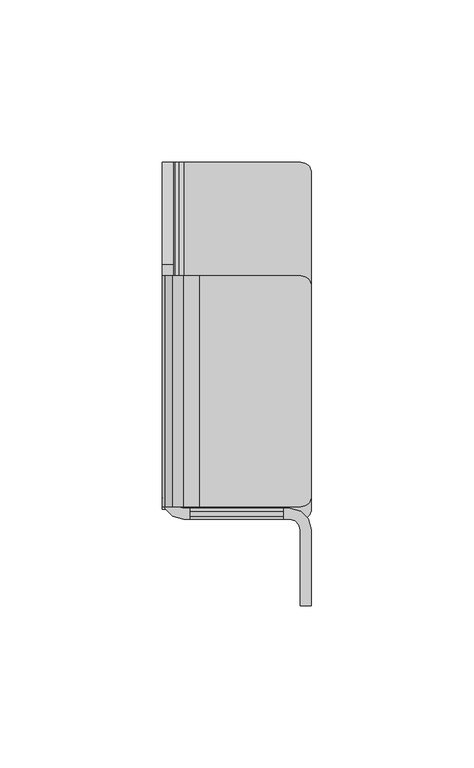
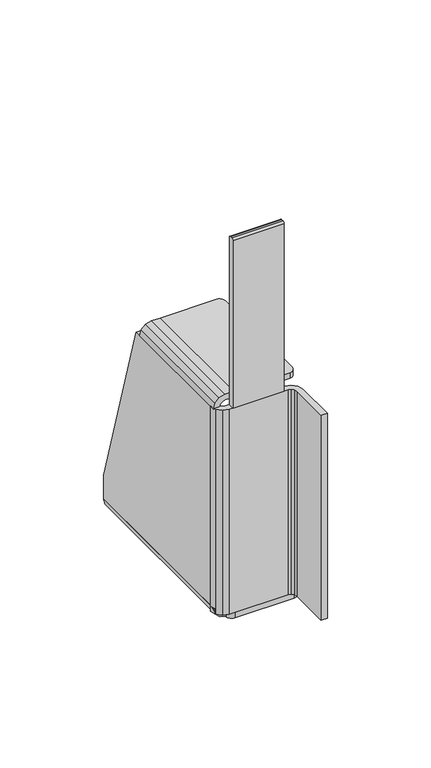
"""IFC4 building model written with IfcOpenShell, lengths in millimetres: furniture geometry."""

from ifc_helpers import new_model, si_unit, point, frame, frame_2d, origin, place, context, project, spatial, polyline, circle_curve, trimmed, segment, composite_curve, outline, extrude, source, transform, mapped, element, save
from ifc_brep_helpers import plane_surface, cylinder_surface, revolved_surface, advanced_brep


def furniture_92264d91(model_context):
    return source(origin(), model_context, "Body", "SolidModel", [
        advanced_brep(
        [(28.9292262, -54.9802248, 7.8739999), (20.9282248, -54.9802248, 7.8739999), (20.9282248, -54.9802248, 60.1980016), (28.9292262, -54.9802248, 60.1980016), (37.6287315, -54.9802248, 7.8739999), (12.2287194, -54.9802248, 7.8739999), (37.6287315, -54.9802248, 2.6834552), (12.2287194, -54.9802248, 2.6834552), (24.9287255, -54.9802248, 0.0), (24.9287255, -54.9802248, 60.1980016)],
        [
            (0, 1, circle_curve(frame((24.9287255, -54.9802248, 7.8739999), z_axis=(0.0, 0.0, 1.0), x_axis=(-1.0, 0.0, 0.0)), 4.0005007)),
            (1, 2),
            (2, 3, circle_curve(frame((24.9287255, -54.9802248, 60.1980016), z_axis=(0.0, 0.0, -1.0), x_axis=(-1.0, 0.0, 0.0)), 4.0005007)),
            (3, 0),
            (1, 0, circle_curve(frame((24.9287255, -54.9802248, 7.8739999), z_axis=(0.0, 0.0, 1.0), x_axis=(-1.0, 0.0, 0.0)), 4.0005007)),
            (3, 2, circle_curve(frame((24.9287255, -54.9802248, 60.1980016), z_axis=(0.0, 0.0, -1.0), x_axis=(-1.0, 0.0, 0.0)), 4.0005007)),
            (4, 5, circle_curve(frame((24.9287255, -54.9802248, 7.8739999), z_axis=(0.0, 0.0, 1.0), x_axis=(-1.0, 0.0, 0.0)), 12.7000061)),
            (5, 1),
            (0, 4),
            (5, 4, circle_curve(frame((24.9287255, -54.9802248, 7.8739999), z_axis=(0.0, 0.0, 1.0), x_axis=(-1.0, 0.0, 0.0)), 12.7000061)),
            (6, 7, circle_curve(frame((24.9287255, -54.9802248, 2.6834552), z_axis=(0.0, 0.0, 1.0), x_axis=(-1.0, 0.0, 0.0)), 12.7000061)),
            (7, 5),
            (4, 6),
            (7, 6, circle_curve(frame((24.9287255, -54.9802248, 2.6834552), z_axis=(0.0, 0.0, 1.0), x_axis=(-1.0, 0.0, 0.0)), 12.7000061)),
            (8, 7),
            (6, 8),
            (2, 9),
            (9, 3),
        ],
        [
            cylinder_surface(frame((24.9287255, -54.9802248, 60.1980016), z_axis=(0.0, 0.0, -1.0), x_axis=(-1.0, 0.0, 0.0)), 4.0005007),
            plane_surface(frame((24.9287255, -54.9802248, 7.8739999), z_axis=(0.0, 0.0, 1.0), x_axis=(-1.0, 0.0, 0.0))),
            cylinder_surface(frame((24.9287255, -54.9802248, 60.1980016), z_axis=(0.0, 0.0, -1.0), x_axis=(-1.0, 0.0, 0.0)), 12.7000061),
            revolved_surface(polyline([(12.2287194, -54.9802248, 2.6834552), (24.9287255, -54.9802248, 0.0)]), (24.9287255, -54.9802248, 60.1980016), (0.0, 0.0, -1.0)),
            plane_surface(frame((24.9287255, -54.9802248, 60.1980016), z_axis=(0.0, 0.0, 1.0), x_axis=(-1.0, 0.0, 0.0))),
        ],
        [
            (0, [[1, 2, 3, 4]]),
            (0, [[5, -4, 6, -2]]),
            (1, [[7, 8, -1, 9]]),
            (1, [[10, -9, -5, -8]]),
            (2, [[11, 12, -7, 13]]),
            (2, [[14, -13, -10, -12]]),
            (3, [[15, -11, 16]]),
            (3, [[-16, -14, -15]]),
            (4, [[-3, 17, 18]]),
            (4, [[-6, -18, -17]]),
        ],
    ),
        extrude(outline(composite_curve([segment(trimmed(circle_curve(frame_2d((-108.9840036, 230.4538722)), 1.016), [point((-110.0000036, 230.4538722))], [point((-108.9840036, 231.4698722))], False, "CARTESIAN"), True, "CONTINUOUS"), segment(polyline([(-108.9840036, 231.4698722), (-107.6000011, 231.4698722)]), True, "CONTINUOUS"), segment(trimmed(circle_curve(frame_2d((-107.6000011, 230.4538722)), 1.016), [point((-107.6000011, 231.4698722))], [point((-106.5840011, 230.4538722))], False, "CARTESIAN"), True, "CONTINUOUS"), segment(polyline([(-106.5840011, 230.4538722), (-106.5840011, 131.8643803), (-110.0000036, 131.8643803), (-110.0000036, 230.4538722)]), True, "CONTINUOUS")], self_intersect=False)), frame((8.6540003, 0.0, 0.0), z_axis=(1.0, 0.0, 0.0), x_axis=(0.0, 1.0, 0.0)), (0.0, 0.0, 1.0), 28.5999996),
        extrude(outline(polyline([(0.0, -103.2840027), (3.4159979, -103.2840027), (3.8413694, -104.9965026), (5.0035009, -106.1586319), (6.5909994, -106.5840011), (39.3169999, -106.5840011), (42.6124998, -107.4670277), (45.0249733, -109.8795031), (45.9079999, -113.1750005), (45.9079999, -136.5840027), (42.4919998, -136.5840027), (42.4919998, -113.1750005), (42.0666305, -111.5875021), (40.9044998, -110.4253728), (39.3169999, -110.0000036), (6.5909994, -110.0000036), (3.295502, -109.116977), (0.8830266, -106.7045016), (0.0, -103.2840027)])), frame((0.0, 0.0, 11.1695001), z_axis=(0.0, 0.0, 1.0), x_axis=(1.0, 0.0, 0.0)), (0.0, 0.0, 1.0), 120.6948801),
        extrude(outline(polyline([(131.8643803, 3.4159979), (133.4518742, 3.8413671), (134.6140126, 5.0035032), (135.0393773, 6.5909994), (135.0393773, 11.3544123), (138.4553751, 11.3544123), (138.4553751, 6.5909994), (137.5723531, 3.295502), (135.1598732, 0.8830266), (131.8643803, 0.0), (131.8643803, 3.4159979)])), frame((0.0, -106.0840044, 0.0), z_axis=(0.0, 1.0, 0.0), x_axis=(0.0, 0.0, 1.0)), (0.0, 0.0, 1.0), 71.084006),
        extrude(outline(composite_curve([segment(polyline([(11.3544123, -34.9999985), (42.7329999, -34.9999985)]), True, "CONTINUOUS"), segment(trimmed(circle_curve(frame_2d((42.7329999, -38.1749985)), 3.175), [point((42.7329999, -34.9999985))], [point((45.9079999, -38.1749985))], False, "CARTESIAN"), True, "CONTINUOUS"), segment(polyline([(45.9079999, -38.1749985), (45.9079999, -102.9090044)]), True, "CONTINUOUS"), segment(trimmed(circle_curve(frame_2d((42.7329999, -102.9090044)), 3.175), [point((45.9079999, -102.9090044))], [point((42.7329999, -106.0840044))], False, "CARTESIAN"), True, "CONTINUOUS"), segment(polyline([(42.7329999, -106.0840044), (11.3544123, -106.0840044), (11.3544123, -34.9999985)]), True, "CONTINUOUS")], self_intersect=False)), frame((0.0, 0.0, 135.1598732), z_axis=(0.0, 0.0, 1.0), x_axis=(1.0, 0.0, 0.0)), (0.0, 0.0, 1.0), 3.295502),
        extrude(outline(polyline([(11.1695001, 6.5909994), (11.7153687, 5.0035009), (12.8774991, 3.8413694), (14.4649998, 3.4159979), (14.4649998, 0.0), (11.1695001, 0.8830266), (8.7570259, 3.295502), (7.8739999, 6.5909994), (11.1695001, 6.5909994)])), frame((0.0, -106.8250036, 0.0), z_axis=(0.0, 1.0, 0.0), x_axis=(0.0, 0.0, 1.0)), (0.0, 0.0, 1.0), 106.8250036),
        extrude(outline(composite_curve([segment(polyline([(6.5909994, 0.0), (42.7329999, 0.0)]), True, "CONTINUOUS"), segment(trimmed(circle_curve(frame_2d((42.7329999, -3.175)), 3.175), [point((42.7329999, 0.0))], [point((45.9079999, -3.175))], False, "CARTESIAN"), True, "CONTINUOUS"), segment(polyline([(45.9079999, -3.175), (45.9079999, -106.8250036)]), True, "CONTINUOUS"), segment(trimmed(circle_curve(frame_2d((42.7329999, -106.8250036)), 3.175), [point((45.9079999, -106.8250036))], [point((42.7329999, -110.0000036))], False, "CARTESIAN"), True, "CONTINUOUS"), segment(polyline([(42.7329999, -110.0000036), (9.7659994, -110.0000036)]), True, "CONTINUOUS"), segment(trimmed(circle_curve(frame_2d((9.7659994, -106.8250036)), 3.175), [point((9.7659994, -110.0000036))], [point((6.5909994, -106.8250036))], False, "CARTESIAN"), True, "CONTINUOUS"), segment(polyline([(6.5909994, -106.8250036), (6.5909994, 0.0)]), True, "CONTINUOUS")], self_intersect=False)), frame((0.0, 0.0, 7.8733776), z_axis=(0.0, 0.0, 1.0), x_axis=(1.0, 0.0, 0.0)), (0.0, 0.0, 1.0), 3.2961225),
        extrude(outline(polyline([(0.0, 14.4643776), (-103.4090042, 14.4643776), (-103.2840027, 131.8643803), (-31.4301128, 131.8643803), (0.0, 28.593982), (0.0, 14.4643776)])), frame((0.0, 0.0, 0.0), z_axis=(1.0, 0.0, 0.0), x_axis=(0.0, 1.0, 0.0)), (0.0, 0.0, 1.0), 3.4159979),
    ])


if __name__ == "__main__":
    model = new_model("IFC4")
    model_context = context("Model", 3, world=origin())
    ifc_project = project(units=[si_unit("LENGTHUNIT", "METRE", prefix="MILLI")], contexts=[model_context])
    site = spatial("IfcSite", under=ifc_project)
    building = spatial("IfcBuilding", under=site)
    placement = place(None, origin())
    furniture_shape = furniture_92264d91(model_context)
    element("IfcFurniture", 1, at=placement, inside=building, context=model_context, shape_type="MappedRepresentation", body=[
        mapped(furniture_shape, transform((0.0, 0.0, 0.0), x_axis=(1.0, 0.0, 0.0), y_axis=(0.0, 1.0, 0.0), z_axis=(0.0, 0.0, 1.0))),
    ])
    save(model, "model.ifc")
